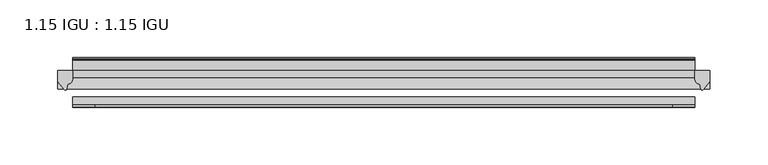
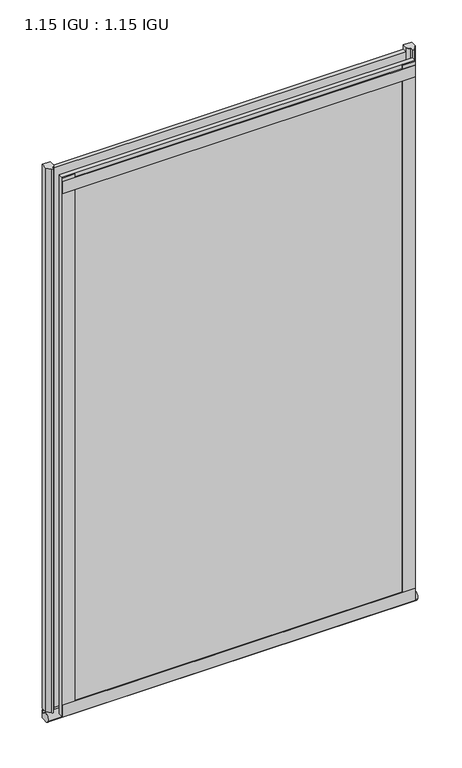
"""IFC4 building model written with IfcOpenShell, lengths in millimetres: plate geometry, 1.15 IGU : 1.15 IGU."""

from ifc_helpers import new_model, si_unit, point, frame, frame_2d, origin, place, context, project, spatial, polyline, circle_curve, ellipse_curve, trimmed, segment, composite_curve, outline, extrude, source, transform, mapped, element, save
from ifc_brep_helpers import plane_surface, revolved_surface, extruded_surface, advanced_brep


def plate_1_15_igu_1_15_igu_15dacb1b(model_context):
    return source(origin(), model_context, "Body", "SolidModel", [
        extrude(outline(polyline([(269.3769599, 0.0), (269.3769599, -6.2992), (-269.3769599, -6.2992), (-269.3769599, 0.0), (269.3769599, 0.0)])), frame((0.0, 0.0, -19.05), z_axis=(0.0, 0.0, 1.0), x_axis=(1.0, 0.0, 0.0)), (0.0, 0.0, 1.0), 869.9368072),
        extrude(outline(polyline([(-269.3769599, -23.1648), (269.3769599, -23.1648), (269.3769599, -29.464), (-269.3769599, -29.464), (-269.3769599, -23.1648)])), frame((0.0, 0.0, -19.05), z_axis=(0.0, 0.0, 1.0), x_axis=(1.0, 0.0, 0.0)), (0.0, 0.0, 1.0), 869.9368072),
        advanced_brep(
        [(282.0769599, -2.9334208, -29.3692082), (282.0769599, -15.7658436, -30.8313288), (282.0769599, -6.7904952, -34.925), (282.0769599, 0.0, -34.925), (282.0769599, 0.0, -22.225), (282.0769599, -2.5187477, -22.225), (-282.0769599, -2.9073519, -29.3720514), (-282.0769599, -2.5187477, -22.225), (-282.0769599, 0.0, -22.225), (-282.0769599, 0.0, -34.925), (-282.0769599, -6.7904952, -34.925), (-282.0769599, -15.7658436, -30.8313288)],
        [
            (0, 1, ellipse_curve(frame((282.0769599, -9.5065066, -28.575), z_axis=(1.0, 0.0, 0.0), x_axis=(0.0, 0.0, -1.0)), 6.9638038, 6.6162554)),
            (1, 2, ellipse_curve(frame((282.0769599, -9.5065066, -28.575), z_axis=(1.0, 0.0, 0.0), x_axis=(0.0, 0.0, -1.0)), 6.9638038, 6.6162554)),
            (2, 3),
            (3, 4, circle_curve(frame((282.0769599, 24.1576838, -28.575), z_axis=(-1.0, 0.0, 0.0), x_axis=(0.0, 0.0, 1.0)), 24.9783143)),
            (4, 5),
            (5, 0, circle_curve(frame((282.0769599, -68.4358767, -22.225), z_axis=(-1.0, 0.0, 0.0), x_axis=(0.0, 0.0, 1.0)), 65.917129)),
            (6, 7, circle_curve(frame((-282.0769599, -68.4358767, -22.225), z_axis=(1.0, 0.0, 0.0), x_axis=(0.0, 0.0, 1.0)), 65.917129)),
            (7, 8),
            (8, 9, circle_curve(frame((-282.0769599, 24.1576838, -28.575), z_axis=(1.0, 0.0, 0.0), x_axis=(0.0, 0.0, 1.0)), 24.9783143)),
            (9, 10),
            (10, 11, ellipse_curve(frame((-282.0769599, -9.5065066, -28.575), z_axis=(-1.0, 0.0, 0.0), x_axis=(0.0, 0.0, -1.0)), 6.9638038, 6.6162554)),
            (11, 6, ellipse_curve(frame((-282.0769599, -9.5065066, -28.575), z_axis=(-1.0, 0.0, 0.0), x_axis=(0.0, 0.0, -1.0)), 6.9638038, 6.6162554)),
            (0, 6),
            (11, 1),
            (10, 2),
            (9, 3),
            (8, 4),
            (7, 5),
        ],
        [
            plane_surface(frame((282.0769599, 0.0, -28.575), z_axis=(1.0, 0.0, 0.0), x_axis=(0.0, 1.0, 0.0))),
            plane_surface(frame((-282.0769599, 0.0, -28.575), z_axis=(-1.0, 0.0, 0.0), x_axis=(0.0, 1.0, 0.0))),
            extruded_surface(trimmed(ellipse_curve(frame((-282.0769599, -9.5065066, -28.575), z_axis=(1.0, 0.0, 0.0), x_axis=(0.0, 0.0, -1.0)), 6.9638038, 6.6162554), [point((-282.0769599, -2.9334208, -29.3692082))], [point((-282.0769599, -15.7658436, -30.8313288))], True, "CARTESIAN"), (564.1539198, 0.0, 0.0), 564.1539198),
            extruded_surface(trimmed(ellipse_curve(frame((-282.0769599, -9.5065066, -28.575), z_axis=(1.0, 0.0, 0.0), x_axis=(0.0, 0.0, -1.0)), 6.9638038, 6.6162554), [point((-282.0769599, -15.7658436, -30.8313288))], [point((-282.0769599, -6.7904952, -34.925))], True, "CARTESIAN"), (564.1539198, 0.0, 0.0), 564.1539198),
            plane_surface(frame((282.0769599, -6.7904952, -34.925), z_axis=(0.0, 0.0, -1.0), x_axis=(-1.0, 0.0, 0.0))),
            revolved_surface(polyline([(-282.0769599, 24.1576838, -3.5966856999999983), (282.0769599, 24.1576838, -3.5966856999999983)]), (282.0769599, 24.1576838, -28.575), (-1.0, 0.0, 0.0)),
            plane_surface(frame((282.0769599, 0.0, -22.225), z_axis=(0.0, 0.0, 1.0), x_axis=(-1.0, 0.0, 0.0))),
            revolved_surface(polyline([(-282.0769599, -68.4358767, 43.692129), (282.0769599, -68.4358767, 43.692129)]), (282.0769599, -68.4358767, -22.225), (-1.0, 0.0, 0.0)),
        ],
        [
            (0, [[1, 2, 3, 4, 5, 6]]),
            (1, [[7, 8, 9, 10, 11, 12]]),
            (2, [[-1, 13, -12, 14]]),
            (3, [[-2, -14, -11, 15]]),
            (4, [[-3, -15, -10, 16]]),
            (5, [[-4, -16, -9, 17]]),
            (6, [[-5, -17, -8, 18]]),
            (7, [[-6, -18, -7, -13]]),
        ],
    ),
        extrude(outline(composite_curve([segment(polyline([(282.0769599, 0.0), (282.0769599, -9.7395025), (276.510729, -16.3730781)]), True, "CONTINUOUS"), segment(trimmed(circle_curve(frame_2d((275.557054, -15.7728374)), 1.1268473), [point((276.510729, -16.3730781))], [point((274.4561011, -16.0130197))], False, "CARTESIAN"), True, "CONTINUOUS"), segment(polyline([(274.4561011, -16.0130197), (273.4759096, -11.7377885)]), True, "CONTINUOUS"), segment(trimmed(circle_curve(frame_2d((273.3484578, -7.7683362)), 3.9714979), [point((273.4759096, -11.7377885))], [point((269.3771385, -7.8060014))], False, "CARTESIAN"), True, "CONTINUOUS"), segment(polyline([(269.3771385, -7.8060014), (269.3771385, 0.0), (282.0769599, 0.0)]), True, "CONTINUOUS")], self_intersect=False)), frame((0.0, 0.0, -19.05), z_axis=(0.0, 0.0, 1.0), x_axis=(1.0, 0.0, 0.0)), (0.0, 0.0, 1.0), 877.0742072),
        extrude(outline(composite_curve([segment(polyline([(-269.3769599, 8.8e-06), (-269.3769599, -7.7683362)]), True, "CONTINUOUS"), segment(trimmed(circle_curve(frame_2d((-273.3484578, -7.7683362)), 3.9714979), [point((-269.3769599, -7.7683362))], [point((-273.4759096, -11.7377885))], False, "CARTESIAN"), True, "CONTINUOUS"), segment(polyline([(-273.4759096, -11.7377885), (-274.4559441, -16.012436)]), True, "CONTINUOUS"), segment(trimmed(circle_curve(frame_2d((-275.5571531, -15.7723555)), 1.1270758), [point((-274.4559441, -16.012436))], [point((-276.5109925, -16.372764))], False, "CARTESIAN"), True, "CONTINUOUS"), segment(polyline([(-276.5109925, -16.372764), (-282.0769599, -9.7395025), (-282.0769599, 8.8e-06), (-269.3769599, 8.8e-06)]), True, "CONTINUOUS")], self_intersect=False)), frame((0.0, 0.0, -19.05), z_axis=(0.0, 0.0, 1.0), x_axis=(1.0, 0.0, 0.0)), (0.0, 0.0, 1.0), 877.0742072),
        extrude(outline(polyline([(-269.3769599, -31.75), (-269.3769599, -29.464), (269.3769599, -29.464), (269.3769599, -31.75), (-269.3769599, -31.75)])), frame((0.0, 0.0, -19.05), z_axis=(0.0, 0.0, 1.0), x_axis=(1.0, 0.0, 0.0)), (0.0, 0.0, 1.0), 19.05),
        extrude(outline(composite_curve([segment(polyline([(8.509, 840.7300284), (8.509, 838.6980284), (6.35, 838.6980284), (6.35, 833.3640284), (8.9492698, 833.3640284)]), True, "CONTINUOUS"), segment(trimmed(circle_curve(frame_2d((8.208689, 831.8368072)), 1.697311), [point((8.9492698, 833.3640284))], [point((8.962411, 830.3160284))], False, "CARTESIAN"), True, "CONTINUOUS"), segment(polyline([(8.962411, 830.3160284), (6.35, 830.3160284), (6.35, 825.4868072), (11.1252, 825.4868072), (11.1252, 824.5978072)]), True, "CONTINUOUS"), segment(trimmed(circle_curve(frame_2d((10.1092, 824.5978072)), 1.016), [point((11.1252, 824.5978072))], [point((10.1092, 823.5818072))], False, "CARTESIAN"), True, "CONTINUOUS"), segment(trimmed(circle_curve(frame_2d((10.1092, 804.1707318)), 19.4110754), [point((10.1092, 823.5818072))], [point((0.0, 820.7416075))], True, "CARTESIAN"), True, "CONTINUOUS"), segment(polyline([(0.0, 820.7416075), (0.0, 840.7300284), (8.509, 840.7300284)]), True, "CONTINUOUS")], self_intersect=False)), frame((-269.3769599, 0.0, 0.0), z_axis=(1.0, 0.0, 0.0), x_axis=(0.0, 1.0, 0.0)), (0.0, 0.0, 1.0), 538.7539197),
        extrude(outline(polyline([(-269.3769599, -31.75), (-269.3769599, -29.464), (269.3769599, -29.464), (269.3769599, -31.75), (-269.3769599, -31.75)])), frame((0.0, 0.0, 825.4868072), z_axis=(0.0, 0.0, 1.0), x_axis=(1.0, 0.0, 0.0)), (0.0, 0.0, 1.0), 19.05),
        extrude(outline(polyline([(250.3269599, -29.464), (269.3769599, -29.464), (269.3769599, -31.75), (250.3269599, -31.75), (250.3269599, -29.464)])), frame((0.0, 0.0, -19.05), z_axis=(0.0, 0.0, 1.0), x_axis=(1.0, 0.0, 0.0)), (0.0, 0.0, 1.0), 869.9368072),
        extrude(outline(polyline([(-269.3769599, -31.75), (-269.3769599, -29.464), (-250.3269599, -29.464), (-250.3269599, -31.75), (-269.3769599, -31.75)])), frame((0.0, 0.0, -19.05), z_axis=(0.0, 0.0, 1.0), x_axis=(1.0, 0.0, 0.0)), (0.0, 0.0, 1.0), 869.9368072),
    ])


if __name__ == "__main__":
    model = new_model("IFC4")
    model_context = context("Model", 3, world=origin())
    ifc_project = project(units=[si_unit("LENGTHUNIT", "METRE", prefix="MILLI")], contexts=[model_context])
    site = spatial("IfcSite", under=ifc_project)
    building = spatial("IfcBuilding", under=site)
    placement = place(None, origin())
    plate_1_15_igu_1_15_igu_shape = plate_1_15_igu_1_15_igu_15dacb1b(model_context)
    element("IfcPlate", 1, ObjectType="1.15 IGU : 1.15 IGU", at=placement, inside=building, context=model_context, shape_type="MappedRepresentation", body=[
        mapped(plate_1_15_igu_1_15_igu_shape, transform((0.0, 0.0, 0.0), x_axis=(1.0, 0.0, 0.0), y_axis=(0.0, 1.0, 0.0), z_axis=(0.0, 0.0, 1.0))),
    ])
    save(model, "model.ifc")
